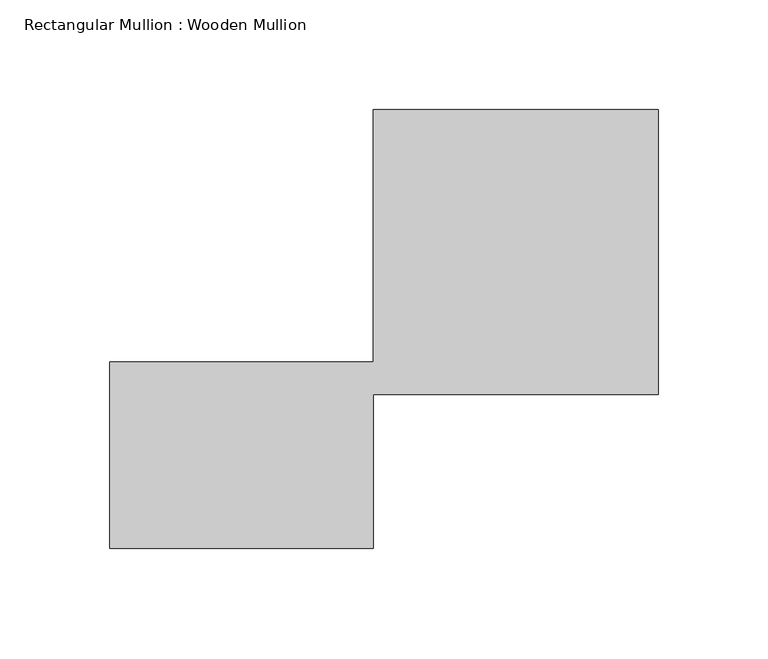
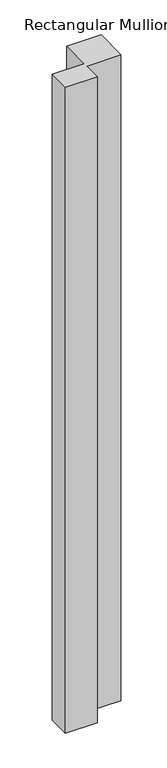
"""IFC4 building model written with IfcOpenShell, lengths in millimetres: member geometry, Rectangular Mullion : Wooden Mullion."""

from ifc_helpers import new_model, si_unit, frame, origin, place, context, project, spatial, polyline, outline, extrude, source, transform, mapped, element, save


def rectangular_mullion_wooden_mullion_ec3eec7d(model_context):
    return source(origin(), model_context, "Body", "SweptSolid", [
        extrude(outline(polyline([(74.8100006, -26.0137344), (-45.1899994, -26.0137344), (-45.1899994, 58.9862656), (74.8100006, 58.9862656), (74.8100006, 173.9862656), (204.8100006, 173.9862656), (204.8100006, 43.9862656), (74.8100006, 43.9862656), (74.8100006, -26.0137344)])), frame((0.0, 0.0, -2579.9857619), z_axis=(0.0, 0.0, 1.0), x_axis=(1.0, 0.0, 0.0)), (0.0, 0.0, 1.0), 2579.9857619),
    ])


if __name__ == "__main__":
    model = new_model("IFC4")
    model_context = context("Model", 3, world=origin())
    ifc_project = project(units=[si_unit("LENGTHUNIT", "METRE", prefix="MILLI")], contexts=[model_context])
    site = spatial("IfcSite", under=ifc_project)
    building = spatial("IfcBuilding", under=site)
    placement = place(None, origin())
    rectangular_mullion_wooden_mullion_shape = rectangular_mullion_wooden_mullion_ec3eec7d(model_context)
    element("IfcMember", 1, ObjectType="Rectangular Mullion : Wooden Mullion", at=placement, inside=building, context=model_context, shape_type="MappedRepresentation", body=[
        mapped(rectangular_mullion_wooden_mullion_shape, transform((0.0, 0.0, 0.0), x_axis=(1.0, 0.0, 0.0), y_axis=(0.0, 1.0, 0.0), z_axis=(0.0, 0.0, 1.0))),
    ])
    save(model, "model.ifc")
